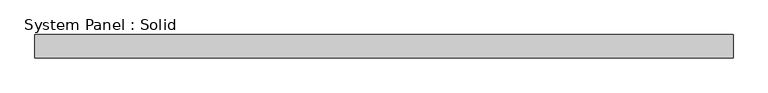
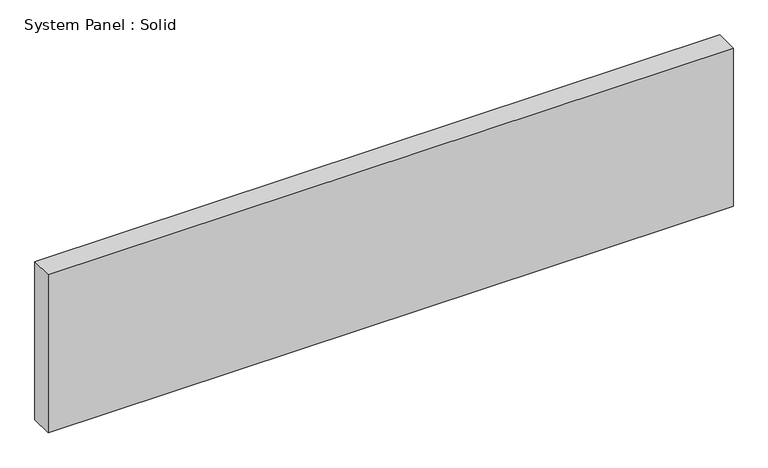
"""IFC4 building model written with IfcOpenShell, lengths in millimetres: plate geometry, System Panel : Solid."""

from ifc_helpers import new_model, si_unit, origin, origin_with_axes, place, context, project, spatial, polyline, outline, extrude, source, transform, mapped, element, save


def system_panel_solid_a73e50a9(model_context):
    return source(origin(), model_context, "Body", "SweptSolid", [
        extrude(outline(polyline([(895.5, -10.5), (-895.5, -10.5), (-895.5, 49.5), (895.5, 49.5), (895.5, -10.5)])), origin_with_axes(), (0.0, 0.0, 1.0), 437.0186763),
    ])


if __name__ == "__main__":
    model = new_model("IFC4")
    model_context = context("Model", 3, world=origin())
    ifc_project = project(units=[si_unit("LENGTHUNIT", "METRE", prefix="MILLI")], contexts=[model_context])
    site = spatial("IfcSite", under=ifc_project)
    building = spatial("IfcBuilding", under=site)
    placement = place(None, origin())
    system_panel_solid_shape = system_panel_solid_a73e50a9(model_context)
    element("IfcPlate", 1, ObjectType="System Panel : Solid", at=placement, inside=building, context=model_context, shape_type="MappedRepresentation", body=[
        mapped(system_panel_solid_shape, transform((0.0, 0.0, 0.0), x_axis=(1.0, 0.0, 0.0), y_axis=(0.0, 1.0, 0.0), z_axis=(0.0, 0.0, 1.0))),
    ])
    save(model, "model.ifc")
